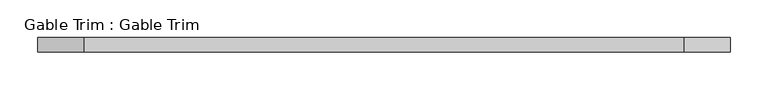
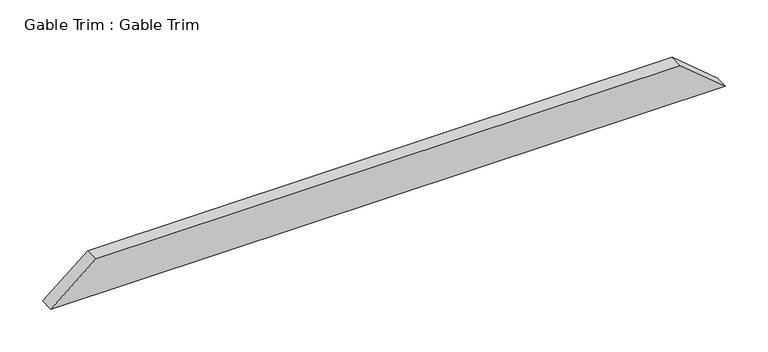
"""IFC4 building model written with IfcOpenShell, lengths in millimetres: proxy geometry, Gable Trim : Gable Trim."""

from ifc_helpers import new_model, si_unit, frame, origin, place, context, project, spatial, polyline, outline, extrude, source, transform, mapped, element, save


def gable_trim_gable_trim_2fe87c33(model_context):
    return source(origin(), model_context, "Body", "SweptSolid", [
        extrude(outline(polyline([(2312.821866, 21574.5383759), (2262.021866, 21513.5783759), (2262.021866, 22428.4216241), (2312.821866, 22367.4616241), (2312.821866, 21574.5383759)])), frame((0.0, 3257.55, 0.0), z_axis=(0.0, 1.0, 0.0), x_axis=(0.0, 0.0, 1.0)), (0.0, 0.0, 1.0), 19.05),
    ])


if __name__ == "__main__":
    model = new_model("IFC4")
    model_context = context("Model", 3, world=origin())
    ifc_project = project(units=[si_unit("LENGTHUNIT", "METRE", prefix="MILLI")], contexts=[model_context])
    site = spatial("IfcSite", under=ifc_project)
    building = spatial("IfcBuilding", under=site)
    placement = place(None, origin())
    gable_trim_gable_trim_shape = gable_trim_gable_trim_2fe87c33(model_context)
    element("IfcBuildingElementProxy", 1, Name="Gable Trim : Gable Trim", ObjectType="Gable Trim : Gable Trim", at=placement, inside=building, context=model_context, shape_type="MappedRepresentation", body=[
        mapped(gable_trim_gable_trim_shape, transform((0.0, 0.0, 0.0), x_axis=(1.0, 0.0, 0.0), y_axis=(0.0, 1.0, 0.0), z_axis=(0.0, 0.0, 1.0))),
    ])
    save(model, "model.ifc")
